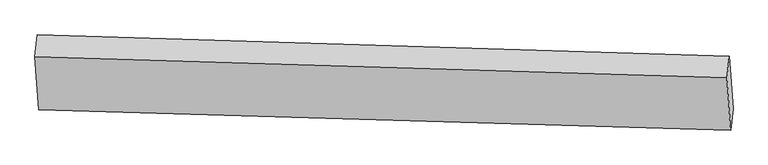
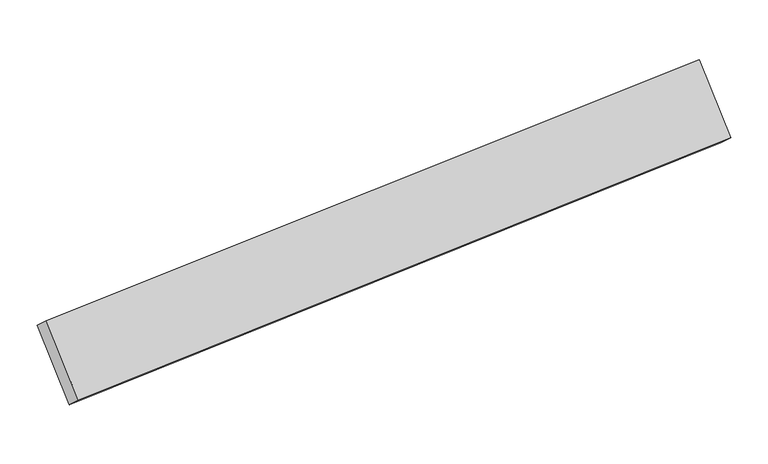
"""IFC4 building model written with IfcOpenShell, lengths in millimetres: proxy geometry."""

from ifc_helpers import new_model, si_unit, origin, place, context, project, spatial, faceted_brep, source, transform, mapped, element, save


def generic_models_206260a0(model_context):
    return source(origin(), model_context, "Body", "Brep", [
        faceted_brep([(-417.2413754, -889.1567123, 1851.6989406), (-390.9264987, -1259.3035463, 1435.2447091), (-5287.0133352, -1113.3347457, 942.4421283), (-5313.8040468, -736.4947853, 1366.426833), (-408.3451711, -1409.8201213, 1567.9240273), (-5304.6864607, -1266.0500766, 1077.0596346), (-434.6600479, -1039.6732872, 1984.3782587), (-5331.4771724, -889.2101161, 1501.0443392)], [[[0, 1, 2, 3]], [[1, 4, 5, 2]], [[4, 6, 7, 5]], [[6, 0, 3, 7]], [[3, 2, 5, 7]], [[0, 6, 4, 1]]]),
    ])


if __name__ == "__main__":
    model = new_model("IFC4")
    model_context = context("Model", 3, world=origin())
    ifc_project = project(units=[si_unit("LENGTHUNIT", "METRE", prefix="MILLI")], contexts=[model_context])
    site = spatial("IfcSite", under=ifc_project)
    building = spatial("IfcBuilding", under=site)
    placement = place(None, origin())
    generic_models_shape = generic_models_206260a0(model_context)
    element("IfcBuildingElementProxy", 1, Name="Generic Models", at=placement, inside=building, context=model_context, shape_type="MappedRepresentation", body=[
        mapped(generic_models_shape, transform((0.0, 0.0, 0.0), x_axis=(1.0, 0.0, 0.0), y_axis=(0.0, 1.0, 0.0), z_axis=(0.0, 0.0, 1.0))),
    ])
    save(model, "model.ifc")
